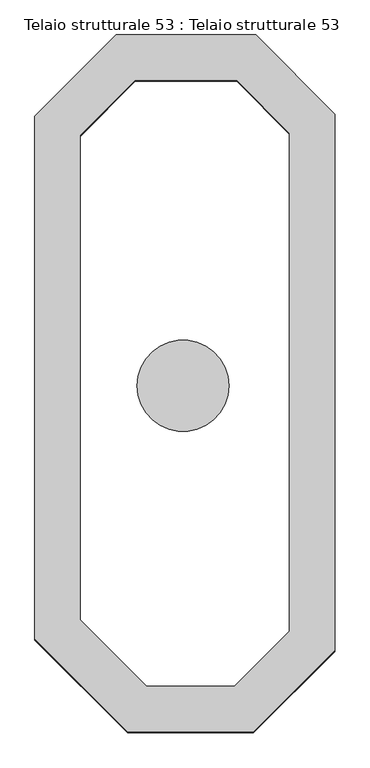
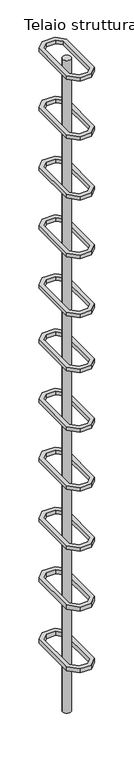
"""IFC4 building model written with IfcOpenShell, lengths in millimetres: beam geometry, Telaio strutturale 53 : Telaio strutturale 53."""

from ifc_helpers import new_model, si_unit, point, frame, frame_2d, origin, place, context, project, spatial, polyline, circle_curve, trimmed, segment, composite_curve, outline, extrude, source, transform, mapped, element, save


def telaio_strutturale_53_telaio_strutturale_53_9e1bac3c(model_context):
    return source(origin(), model_context, "Body", "SweptSolid", [
        extrude(outline(polyline([(-135512.9217432, 76799.1622036), (-135340.0056798, 76626.2461401), (-135340.0056798, 75456.2461401), (-135517.548332, 75278.7034879), (-135792.9217432, 75278.7034879), (-135995.4643955, 75481.2461401), (-135995.4643955, 76621.2461401), (-135817.548332, 76799.1622036), (-135512.9217432, 76799.1622036)]), holes=[polyline([(-135895.4643955, 76579.8247839), (-135895.4643955, 75522.6674964), (-135751.500387, 75378.7034879), (-135558.9696883, 75378.7034879), (-135440.0056798, 75497.6674964), (-135440.0056798, 76584.8247839), (-135554.3430995, 76699.1622036), (-135776.1269758, 76699.1622036), (-135895.4643955, 76579.8247839)])]), frame((0.0, 0.0, 13960.9031979), z_axis=(0.0, 0.0, 1.0), x_axis=(1.0, 0.0, 0.0)), (0.0, 0.0, 1.0), 88.1419196),
        extrude(outline(polyline([(-135512.9217432, 76799.1622036), (-135340.0056798, 76626.2461401), (-135340.0056798, 75456.2461401), (-135517.548332, 75278.7034879), (-135792.9217432, 75278.7034879), (-135995.4643955, 75481.2461401), (-135995.4643955, 76621.2461401), (-135817.548332, 76799.1622036), (-135512.9217432, 76799.1622036)]), holes=[polyline([(-135895.4643955, 76579.8247839), (-135895.4643955, 75522.6674964), (-135751.500387, 75378.7034879), (-135558.9696883, 75378.7034879), (-135440.0056798, 75497.6674964), (-135440.0056798, 76584.8247839), (-135554.3430995, 76699.1622036), (-135776.1269758, 76699.1622036), (-135895.4643955, 76579.8247839)])]), frame((0.0, 0.0, 12474.7612783), z_axis=(0.0, 0.0, 1.0), x_axis=(1.0, 0.0, 0.0)), (0.0, 0.0, 1.0), 88.1419196),
        extrude(outline(polyline([(-135512.9217432, 76799.1622036), (-135340.0056798, 76626.2461401), (-135340.0056798, 75456.2461401), (-135517.548332, 75278.7034879), (-135792.9217432, 75278.7034879), (-135995.4643955, 75481.2461401), (-135995.4643955, 76621.2461401), (-135817.548332, 76799.1622036), (-135512.9217432, 76799.1622036)]), holes=[polyline([(-135895.4643955, 76579.8247839), (-135895.4643955, 75522.6674964), (-135751.500387, 75378.7034879), (-135558.9696883, 75378.7034879), (-135440.0056798, 75497.6674964), (-135440.0056798, 76584.8247839), (-135554.3430995, 76699.1622036), (-135776.1269758, 76699.1622036), (-135895.4643955, 76579.8247839)])]), frame((0.0, 0.0, 10961.8580804), z_axis=(0.0, 0.0, 1.0), x_axis=(1.0, 0.0, 0.0)), (0.0, 0.0, 1.0), 88.1419196),
        extrude(outline(polyline([(-135512.9217432, 76799.1622036), (-135340.0056798, 76626.2461401), (-135340.0056798, 75456.2461401), (-135517.548332, 75278.7034879), (-135792.9217432, 75278.7034879), (-135995.4643955, 75481.2461401), (-135995.4643955, 76621.2461401), (-135817.548332, 76799.1622036), (-135512.9217432, 76799.1622036)]), holes=[polyline([(-135895.4643955, 76579.8247839), (-135895.4643955, 75522.6674964), (-135751.500387, 75378.7034879), (-135558.9696883, 75378.7034879), (-135440.0056798, 75497.6674964), (-135440.0056798, 76584.8247839), (-135554.3430995, 76699.1622036), (-135776.1269758, 76699.1622036), (-135895.4643955, 76579.8247839)])]), frame((0.0, 0.0, 9481.0), z_axis=(0.0, 0.0, 1.0), x_axis=(1.0, 0.0, 0.0)), (0.0, 0.0, 1.0), 88.1419196),
        extrude(outline(polyline([(-135512.9217432, 76799.1622036), (-135340.0056798, 76626.2461401), (-135340.0056798, 75456.2461401), (-135517.548332, 75278.7034879), (-135792.9217432, 75278.7034879), (-135995.4643955, 75481.2461401), (-135995.4643955, 76621.2461401), (-135817.548332, 76799.1622036), (-135512.9217432, 76799.1622036)]), holes=[polyline([(-135895.4643955, 76579.8247839), (-135895.4643955, 75522.6674964), (-135751.500387, 75378.7034879), (-135558.9696883, 75378.7034879), (-135440.0056798, 75497.6674964), (-135440.0056798, 76584.8247839), (-135554.3430995, 76699.1622036), (-135776.1269758, 76699.1622036), (-135895.4643955, 76579.8247839)])]), frame((0.0, 0.0, 7994.8580804), z_axis=(0.0, 0.0, 1.0), x_axis=(1.0, 0.0, 0.0)), (0.0, 0.0, 1.0), 88.1419196),
        extrude(outline(polyline([(-135512.9217432, 76799.1622036), (-135340.0056798, 76626.2461401), (-135340.0056798, 75456.2461401), (-135517.548332, 75278.7034879), (-135792.9217432, 75278.7034879), (-135995.4643955, 75481.2461401), (-135995.4643955, 76621.2461401), (-135817.548332, 76799.1622036), (-135512.9217432, 76799.1622036)]), holes=[polyline([(-135895.4643955, 76579.8247839), (-135895.4643955, 75522.6674964), (-135751.500387, 75378.7034879), (-135558.9696883, 75378.7034879), (-135440.0056798, 75497.6674964), (-135440.0056798, 76584.8247839), (-135554.3430995, 76699.1622036), (-135776.1269758, 76699.1622036), (-135895.4643955, 76579.8247839)])]), frame((0.0, 0.0, 6601.9548825), z_axis=(0.0, 0.0, 1.0), x_axis=(1.0, 0.0, 0.0)), (0.0, 0.0, 1.0), 88.1419196),
        extrude(outline(polyline([(-135512.9217432, 76799.1622036), (-135340.0056798, 76626.2461401), (-135340.0056798, 75456.2461401), (-135517.548332, 75278.7034879), (-135792.9217432, 75278.7034879), (-135995.4643955, 75481.2461401), (-135995.4643955, 76621.2461401), (-135817.548332, 76799.1622036), (-135512.9217432, 76799.1622036)]), holes=[polyline([(-135895.4643955, 76579.8247839), (-135895.4643955, 75522.6674964), (-135751.500387, 75378.7034879), (-135558.9696883, 75378.7034879), (-135440.0056798, 75497.6674964), (-135440.0056798, 76584.8247839), (-135554.3430995, 76699.1622036), (-135776.1269758, 76699.1622036), (-135895.4643955, 76579.8247839)])]), frame((0.0, 0.0, 5101.0), z_axis=(0.0, 0.0, 1.0), x_axis=(1.0, 0.0, 0.0)), (0.0, 0.0, 1.0), 88.1419196),
        extrude(outline(polyline([(-135512.9217432, 76799.1622036), (-135340.0056798, 76626.2461401), (-135340.0056798, 75456.2461401), (-135517.548332, 75278.7034879), (-135792.9217432, 75278.7034879), (-135995.4643955, 75481.2461401), (-135995.4643955, 76621.2461401), (-135817.548332, 76799.1622036), (-135512.9217432, 76799.1622036)]), holes=[polyline([(-135895.4643955, 76579.8247839), (-135895.4643955, 75522.6674964), (-135751.500387, 75378.7034879), (-135558.9696883, 75378.7034879), (-135440.0056798, 75497.6674964), (-135440.0056798, 76584.8247839), (-135554.3430995, 76699.1622036), (-135776.1269758, 76699.1622036), (-135895.4643955, 76579.8247839)])]), frame((0.0, 0.0, 3614.8580804), z_axis=(0.0, 0.0, 1.0), x_axis=(1.0, 0.0, 0.0)), (0.0, 0.0, 1.0), 88.1419196),
        extrude(outline(polyline([(-135512.9217432, 76799.1622036), (-135340.0056798, 76626.2461401), (-135340.0056798, 75456.2461401), (-135517.548332, 75278.7034879), (-135792.9217432, 75278.7034879), (-135995.4643955, 75481.2461401), (-135995.4643955, 76621.2461401), (-135817.548332, 76799.1622036), (-135512.9217432, 76799.1622036)]), holes=[polyline([(-135895.4643955, 76579.8247839), (-135895.4643955, 75522.6674964), (-135751.500387, 75378.7034879), (-135558.9696883, 75378.7034879), (-135440.0056798, 75497.6674964), (-135440.0056798, 76584.8247839), (-135554.3430995, 76699.1622036), (-135776.1269758, 76699.1622036), (-135895.4643955, 76579.8247839)])]), frame((0.0, 0.0, 2101.9548825), z_axis=(0.0, 0.0, 1.0), x_axis=(1.0, 0.0, 0.0)), (0.0, 0.0, 1.0), 88.1419196),
        extrude(outline(polyline([(-135512.9217432, 76799.1622036), (-135340.0056798, 76626.2461401), (-135340.0056798, 75456.2461401), (-135517.548332, 75278.7034879), (-135792.9217432, 75278.7034879), (-135995.4643955, 75481.2461401), (-135995.4643955, 76621.2461401), (-135817.548332, 76799.1622036), (-135512.9217432, 76799.1622036)]), holes=[polyline([(-135895.4643955, 76579.8247839), (-135895.4643955, 75522.6674964), (-135751.500387, 75378.7034879), (-135558.9696883, 75378.7034879), (-135440.0056798, 75497.6674964), (-135440.0056798, 76584.8247839), (-135554.3430995, 76699.1622036), (-135776.1269758, 76699.1622036), (-135895.4643955, 76579.8247839)])]), frame((0.0, 0.0, 588.4576528), z_axis=(0.0, 0.0, 1.0), x_axis=(1.0, 0.0, 0.0)), (0.0, 0.0, 1.0), 101.6391493),
        extrude(outline(polyline([(-135512.9217432, 76799.1622036), (-135340.0056798, 76626.2461401), (-135340.0056798, 75456.2461401), (-135517.548332, 75278.7034879), (-135792.9217432, 75278.7034879), (-135995.4643955, 75481.2461401), (-135995.4643955, 76621.2461401), (-135817.548332, 76799.1622036), (-135512.9217432, 76799.1622036)]), holes=[polyline([(-135895.4643955, 76579.8247839), (-135895.4643955, 75522.6674964), (-135751.500387, 75378.7034879), (-135558.9696883, 75378.7034879), (-135440.0056798, 75497.6674964), (-135440.0056798, 76584.8247839), (-135554.3430995, 76699.1622036), (-135776.1269758, 76699.1622036), (-135895.4643955, 76579.8247839)])]), frame((0.0, 0.0, -971.5423472), z_axis=(0.0, 0.0, 1.0), x_axis=(1.0, 0.0, 0.0)), (0.0, 0.0, 1.0), 101.6391493),
        extrude(outline(composite_curve([segment(trimmed(circle_curve(frame_2d((-135671.8392309, 76033.6253088)), 100.0), [point((-135771.8392309, 76033.6253088))], [point((-135571.8392309, 76033.6253088))], False, "CARTESIAN"), True, "CONTINUOUS"), segment(trimmed(circle_curve(frame_2d((-135671.8392309, 76033.6253088)), 100.0), [point((-135571.8392309, 76033.6253088))], [point((-135771.8392309, 76033.6253088))], False, "CARTESIAN"), True, "CONTINUOUS")], self_intersect=False)), frame((0.0, 0.0, -2420.5), z_axis=(0.0, 0.0, 1.0), x_axis=(1.0, 0.0, 0.0)), (0.0, 0.0, 1.0), 16469.5451175),
    ])


if __name__ == "__main__":
    model = new_model("IFC4")
    model_context = context("Model", 3, world=origin())
    ifc_project = project(units=[si_unit("LENGTHUNIT", "METRE", prefix="MILLI")], contexts=[model_context])
    site = spatial("IfcSite", under=ifc_project)
    building = spatial("IfcBuilding", under=site)
    placement = place(None, origin())
    telaio_strutturale_53_telaio_strutturale_53_shape = telaio_strutturale_53_telaio_strutturale_53_9e1bac3c(model_context)
    element("IfcBeam", 1, ObjectType="Telaio strutturale 53 : Telaio strutturale 53", at=placement, inside=building, context=model_context, shape_type="MappedRepresentation", body=[
        mapped(telaio_strutturale_53_telaio_strutturale_53_shape, transform((0.0, 0.0, 0.0), x_axis=(1.0, 0.0, 0.0), y_axis=(0.0, 1.0, 0.0), z_axis=(0.0, 0.0, 1.0))),
    ])
    save(model, "model.ifc")
